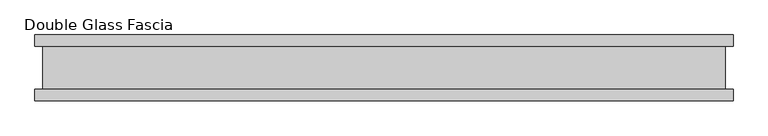
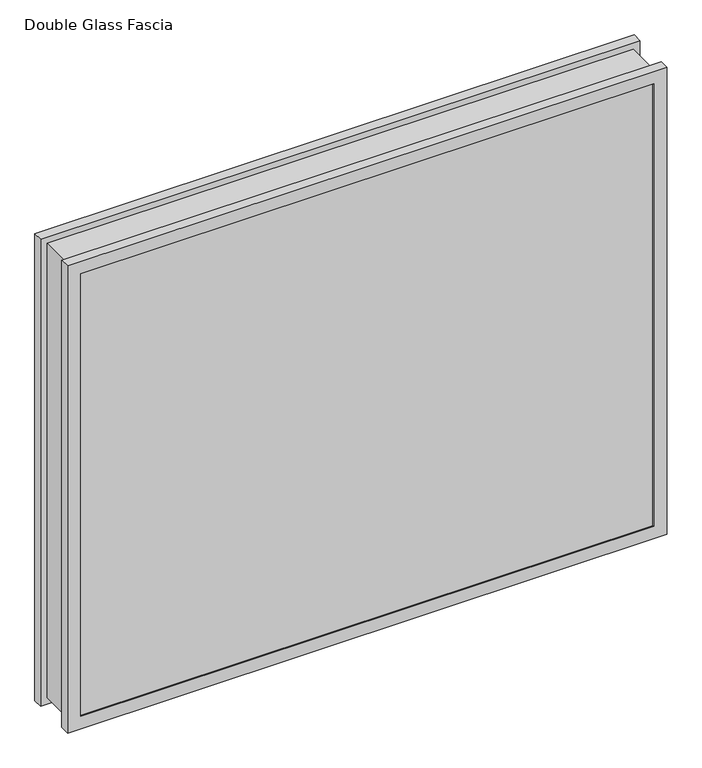
"""IFC4 building model written with IfcOpenShell, lengths in millimetres: proxy geometry, Double Glass Fascia."""

import ifcopenshell
import ifcopenshell.guid

model = None  # the IFC model being written
_history = None  # IfcOwnerHistory: only IFC2X3 demands one
_inside = {}  # id of a spatial element -> (the spatial element, [elements in it])
_under = {}  # id of a project, library or spatial element -> (it, [spatial elements below it])
_declared = {}  # id of a project -> (the project, [libraries it declares])
_typed = {}  # id of a type object -> (the type object, [elements of that type])
_made_of = {}  # id of a material, layer set ... -> (it, [elements and type objects made of it])


def new_model(schema):
    """Start an empty IFC model of exactly this schema.

    Asked for "IFC4X3", IfcOpenShell would pick the latest addendum, in which some entities
    have other attributes; the version numbers below select the first issue.
    IFC2X3 requires an IfcOwnerHistory on every rooted entity: one is made here for all.
    """
    global model, _history
    if schema == "IFC4X3":
        model = ifcopenshell.file(schema_version=(4, 3, 0, 0))
    else:
        model = ifcopenshell.file(schema=schema)
    _inside.clear()
    _under.clear()
    _declared.clear()
    _typed.clear()
    _made_of.clear()
    _history = None
    if model.schema == "IFC2X3":
        org = make("IfcOrganization", Name="unknown")
        user = make(
            "IfcPersonAndOrganization",
            ThePerson=make("IfcPerson", FamilyName="unknown"),
            TheOrganization=org,
        )
        app = make(
            "IfcApplication",
            ApplicationDeveloper=org,
            Version="unknown",
            ApplicationFullName="unknown",
            ApplicationIdentifier="unknown",
        )
        _history = make(
            "IfcOwnerHistory",
            OwningUser=user,
            OwningApplication=app,
            ChangeAction="ADDED",
            CreationDate=0,
        )
    return model


def make(cls, **values):
    """One entity of the class cls with the attributes given. An attribute that is None is left unset."""
    return model.create_entity(
        cls, **{name: value for name, value in values.items() if value is not None}
    )


def rooted(cls, **values):
    """An entity with a GlobalId (a new one), such as an element, a storey or a relation."""
    return make(cls, GlobalId=ifcopenshell.guid.new(), OwnerHistory=_history, **values)


def si_unit(unit_type, name, prefix=None):
    """IfcSIUnit, for example si_unit("LENGTHUNIT", "METRE", prefix="MILLI")."""
    return make("IfcSIUnit", UnitType=unit_type, Prefix=prefix, Name=name)


def assignment(units):
    """IfcUnitAssignment: the units of a project."""
    return None if units is None else make("IfcUnitAssignment", Units=units)


def point(xyz):
    """IfcCartesianPoint."""
    return None if xyz is None else make("IfcCartesianPoint", Coordinates=xyz)


def direction(xyz):
    """IfcDirection."""
    return None if xyz is None else make("IfcDirection", DirectionRatios=xyz)


def frame(location, z_axis=None, x_axis=None):
    """IfcAxis2Placement3D, a coordinate frame: its origin and axes. An axis left out is left unset."""
    return make(
        "IfcAxis2Placement3D",
        Location=point(location),
        Axis=direction(z_axis),
        RefDirection=direction(x_axis),
    )


def origin():
    """The frame at (0, 0, 0) with its axes left unset."""
    return frame((0.0, 0.0, 0.0))


def place(relative_to, where):
    """IfcLocalPlacement: puts the frame where relative to a parent placement (None: the world)."""
    return make(
        "IfcLocalPlacement", PlacementRelTo=relative_to, RelativePlacement=where
    )


def context(
    kind, dimensions, precision=None, world=None, true_north=None, identifier=None
):
    """IfcGeometricRepresentationContext, for example the 3D "Model" context."""
    return make(
        "IfcGeometricRepresentationContext",
        ContextIdentifier=identifier,
        ContextType=kind,
        CoordinateSpaceDimension=dimensions,
        Precision=precision,
        WorldCoordinateSystem=world,
        TrueNorth=true_north,
    )


def project(units=None, contexts=None):
    """IfcProject with its units and contexts."""
    return rooted(
        "IfcProject",
        Name="project",
        RepresentationContexts=contexts,
        UnitsInContext=assignment(units),
    )


def spatial(cls, under=None, at=None, **own):
    """A site, building, storey or space (cls), placed at a placement, below another one or the project."""
    s = rooted(cls, ObjectPlacement=at, **own)
    if under is not None:
        _under.setdefault(under.id(), (under, []))[1].append(s)
    return s


def polyline(points):
    """IfcPolyline through the points."""
    return make("IfcPolyline", Points=[point(p) for p in points])


def outline(outer, holes=None, kind="AREA"):
    """IfcArbitraryClosedProfileDef: a profile drawn as a closed curve; with holes, ...WithVoids."""
    if holes is None:
        return make("IfcArbitraryClosedProfileDef", ProfileType=kind, OuterCurve=outer)
    return make(
        "IfcArbitraryProfileDefWithVoids",
        ProfileType=kind,
        OuterCurve=outer,
        InnerCurves=holes,
    )


def extrude(swept, where, along, depth):
    """IfcExtrudedAreaSolid: the profile swept, set in the frame where, extruded along a direction by depth."""
    return make(
        "IfcExtrudedAreaSolid",
        SweptArea=swept,
        Position=where,
        ExtrudedDirection=direction(along),
        Depth=depth,
    )


def faces_of(points, faces, orient=None, outer=None):
    """IfcFace entities. A face is a list of loops; a loop is a list of indices into points, from 0.

    orient and outer hold one flag for each loop. By default every Orientation is true, the
    first loop of a face is its IfcFaceOuterBound and the others are IfcFaceBound.
    """
    made = []
    for i, loops in enumerate(faces):
        bounds = []
        for j, loop in enumerate(loops):
            is_outer = j == 0 if outer is None else outer[i][j]
            bounds.append(
                make(
                    "IfcFaceOuterBound" if is_outer else "IfcFaceBound",
                    Bound=make("IfcPolyLoop", Polygon=[points[k] for k in loop]),
                    Orientation=True if orient is None else orient[i][j],
                )
            )
        made.append(make("IfcFace", Bounds=bounds))
    return made


def faceted_brep(points, faces, orient=None, outer=None, voids=None):
    """IfcFacetedBrep: a solid bounded by flat faces; with voids (closed shells), ...WithVoids."""
    shared = [point(p) for p in points]
    hull = make("IfcClosedShell", CfsFaces=faces_of(shared, faces, orient, outer))
    if voids is None:
        return make("IfcFacetedBrep", Outer=hull)
    return make(
        "IfcFacetedBrepWithVoids",
        Outer=hull,
        Voids=[
            make(cls, CfsFaces=faces_of(shared, fs, o, b)) for cls, fs, o, b in voids
        ],
    )


def shape(context_of_items, identifier, shape_type, items):
    """IfcShapeRepresentation: the items that make up one representation, for example the "Body"."""
    return make(
        "IfcShapeRepresentation",
        ContextOfItems=context_of_items,
        RepresentationIdentifier=identifier,
        RepresentationType=shape_type,
        Items=items,
    )


def source(mapping_origin, context_of_items, identifier, shape_type, items):
    """IfcRepresentationMap: a shape defined once, which mapped items show again and again."""
    return make(
        "IfcRepresentationMap",
        MappingOrigin=mapping_origin,
        MappedRepresentation=shape(context_of_items, identifier, shape_type, items),
    )


def transform(
    local_origin,
    x_axis=None,
    y_axis=None,
    z_axis=None,
    scale=None,
    scale2=None,
    scale3=None,
    uniform=True,
):
    """IfcCartesianTransformationOperator3D, or its non-uniform kind. x_axis, y_axis, z_axis: its Axis1, 2, 3."""
    if uniform:
        return make(
            "IfcCartesianTransformationOperator3D",
            Axis1=direction(x_axis),
            Axis2=direction(y_axis),
            LocalOrigin=point(local_origin),
            Scale=scale,
            Axis3=direction(z_axis),
        )
    return make(
        "IfcCartesianTransformationOperator3DnonUniform",
        Axis1=direction(x_axis),
        Axis2=direction(y_axis),
        LocalOrigin=point(local_origin),
        Scale=scale,
        Axis3=direction(z_axis),
        Scale2=scale2,
        Scale3=scale3,
    )


def mapped(mapping_source, mapping_target):
    """IfcMappedItem: shows the shape of a source again, moved by a transform."""
    return make(
        "IfcMappedItem", MappingSource=mapping_source, MappingTarget=mapping_target
    )


def made_of(thing, what):
    """Note that an element or type object is made of a material, layer set ...; save() writes the relation."""
    if what is not None:
        _made_of.setdefault(what.id(), (what, []))[1].append(thing)
    return thing


def element(
    cls,
    number,
    at=None,
    inside=None,
    cuts=None,
    type_object=None,
    material=None,
    context=None,
    identifier="Body",
    shape_type=None,
    held_by="IfcProductDefinitionShape",
    body=None,
    shapes=None,
    **own,
):
    """One element of the class cls, such as IfcWall. Its Tag is "e" and its number.

    at: its placement. inside: the storey or other place that contains it. cuts: it is an
    opening in that element (IfcRelVoidsElement). A single representation is given by context,
    identifier, shape_type and body (its items); several are given by shapes. held_by: the class
    of the entity that holds the representations. save() writes the other relations.
    """
    e = rooted(cls, Tag="e%d" % number, ObjectPlacement=at, **own)
    if body is not None:
        shapes = [shape(context, identifier, shape_type, body)]
    if shapes is not None:
        e.Representation = make(held_by, Representations=shapes)
    if inside is not None:
        _inside.setdefault(inside.id(), (inside, []))[1].append(e)
    if cuts is not None:
        rooted(
            "IfcRelVoidsElement", RelatingBuildingElement=cuts, RelatedOpeningElement=e
        )
    if type_object is not None:
        _typed.setdefault(type_object.id(), (type_object, []))[1].append(e)
    return made_of(e, material)


def aggregate(whole, parts):
    """IfcRelAggregates: a whole, such as a stair, and the parts it consists of."""
    return rooted("IfcRelAggregates", RelatingObject=whole, RelatedObjects=parts)


def save(model, path):
    """Write the relations noted so far, then the file.

    IfcRelAggregates (storeys below a building ...), IfcRelContainedInSpatialStructure (elements
    in a storey), IfcRelDefinesByType, IfcRelAssociatesMaterial and IfcRelDeclares: one each for
    every whole, place, type object, material and project.
    """
    for whole, parts in _under.values():
        aggregate(whole, parts)
    for where, things in _inside.values():
        rooted(
            "IfcRelContainedInSpatialStructure",
            RelatedElements=things,
            RelatingStructure=where,
        )
    for kind, things in _typed.values():
        rooted("IfcRelDefinesByType", RelatedObjects=things, RelatingType=kind)
    for what, things in _made_of.values():
        rooted("IfcRelAssociatesMaterial", RelatedObjects=things, RelatingMaterial=what)
    for by, libraries in _declared.values():
        rooted("IfcRelDeclares", RelatingContext=by, RelatedDefinitions=libraries)
    model.write(path)


def double_glass_fascia_db91f134(model_context):
    return source(origin(), model_context, "Body", "SolidModel", [
        faceted_brep([(519.6640848, -32.4352299, 866.775885), (519.6640848, -32.4352299, 15.0359151), (519.6640848, 32.4352299, 15.0359151), (519.6640848, 32.4352299, 866.775885), (-519.6640848, -32.4352299, 15.0359151), (-519.6640848, 32.4352299, 15.0359151), (-519.6640848, -32.4352299, 866.775885), (-519.6640848, 32.4352299, 866.775885), (508.4871999, 38.8962152, 855.5990001), (508.4871999, 38.8962152, 26.2128), (508.4871999, -38.8962152, 26.2128), (508.4871999, -38.8962152, 855.5990001), (525.2218392, 47.1322551, 872.3336393), (525.2218392, 47.1322551, 9.4781608), (525.2218392, 38.8962152, 9.4781608), (525.2218392, 38.8962152, 872.3336393), (508.3093999, 50.0558594, 855.4212001), (508.3093999, 50.0558594, 26.3906), (508.3093999, 47.1322551, 26.3906), (508.3093999, 47.1322551, 855.4212001), (531.5249999, 32.4352299, 878.6368001), (531.5249999, 32.4352299, 3.175), (531.5249999, 50.0558594, 3.175), (531.5249999, 50.0558594, 878.6368001), (-508.4871999, 38.8962152, 26.2128), (-508.4871999, -38.8962152, 26.2128), (-525.2218392, 47.1322551, 9.4781608), (-525.2218392, 38.8962152, 9.4781608), (-508.3093999, 50.0558594, 26.3906), (-508.3093999, 47.1322551, 26.3906), (-531.5249999, 32.4352299, 3.175), (-531.5249999, 50.0558594, 3.175), (-508.4871999, 38.8962152, 855.5990001), (-508.4871999, -38.8962152, 855.5990001), (-525.2218392, 47.1322551, 872.3336393), (-525.2218392, 38.8962152, 872.3336393), (-508.3093999, 50.0558594, 855.4212001), (-508.3093999, 47.1322551, 855.4212001), (-531.5249999, 32.4352299, 878.6368001), (-531.5249999, 50.0558594, 878.6368001), (531.5249999, -50.0558594, 878.6368001), (531.5249999, -50.0558594, 3.175), (531.5249999, -32.4352299, 3.175), (531.5249999, -32.4352299, 878.6368001), (508.4871999, -47.1322551, 855.5990001), (508.4871999, -47.1322551, 26.2128), (508.4871999, -50.0558594, 26.2128), (508.4871999, -50.0558594, 855.5990001), (525.2218392, -38.8962152, 872.3336393), (525.2218392, -38.8962152, 9.4781608), (525.2218392, -47.1322551, 9.4781608), (525.2218392, -47.1322551, 872.3336393), (-531.5249999, -50.0558594, 3.175), (-531.5249999, -32.4352299, 3.175), (-508.4871999, -47.1322551, 26.2128), (-508.4871999, -50.0558594, 26.2128), (-525.2218392, -38.8962152, 9.4781608), (-525.2218392, -47.1322551, 9.4781608), (-531.5249999, -50.0558594, 878.6368001), (-531.5249999, -32.4352299, 878.6368001), (-508.4871999, -47.1322551, 855.5990001), (-508.4871999, -50.0558594, 855.5990001), (-525.2218392, -38.8962152, 872.3336393), (-525.2218392, -47.1322551, 872.3336393)], [[[0, 1, 2, 3]], [[1, 4, 5, 2]], [[4, 6, 7, 5]], [[6, 0, 3, 7]], [[8, 9, 10, 11]], [[12, 13, 14, 15]], [[16, 17, 18, 19]], [[20, 21, 22, 23]], [[9, 24, 25, 10]], [[13, 26, 27, 14]], [[17, 28, 29, 18]], [[21, 30, 31, 22]], [[24, 32, 33, 25]], [[26, 34, 35, 27]], [[28, 36, 37, 29]], [[30, 38, 39, 31]], [[32, 8, 11, 33]], [[15, 14, 27, 35], [9, 8, 32, 24]], [[34, 12, 15, 35]], [[13, 12, 34, 26], [19, 18, 29, 37]], [[36, 16, 19, 37]], [[23, 22, 31, 39], [17, 16, 36, 28]], [[38, 20, 23, 39]], [[21, 20, 38, 30], [3, 2, 5, 7]], [[40, 41, 42, 43]], [[44, 45, 46, 47]], [[48, 49, 50, 51]], [[41, 52, 53, 42]], [[45, 54, 55, 46]], [[49, 56, 57, 50]], [[52, 58, 59, 53]], [[54, 60, 61, 55]], [[56, 62, 63, 57]], [[43, 42, 53, 59], [1, 0, 6, 4]], [[58, 40, 43, 59]], [[41, 40, 58, 52], [47, 46, 55, 61]], [[60, 44, 47, 61]], [[51, 50, 57, 63], [45, 44, 60, 54]], [[62, 48, 51, 63]], [[49, 48, 62, 56], [11, 10, 25, 33]]]),
        extrude(outline(polyline([(520.7, 40.9277344), (-520.7, 40.9277344), (-520.7, 46.8808594), (520.7, 46.8808594), (520.7, 40.9277344)])), frame((0.0, 0.0, 5.3275263), z_axis=(0.0, 0.0, 1.0), x_axis=(1.0, 0.0, 0.0)), (0.0, 0.0, 1.0), 870.6627281),
        extrude(outline(polyline([(520.7, -41.1791301), (520.7, -47.1322551), (-520.7, -47.1322551), (-520.7, -41.1791301), (520.7, -41.1791301)])), frame((0.0, 0.0, 5.3275263), z_axis=(0.0, 0.0, 1.0), x_axis=(1.0, 0.0, 0.0)), (0.0, 0.0, 1.0), 870.6627281),
    ])


if __name__ == "__main__":
    model = new_model("IFC4")
    model_context = context("Model", 3, world=origin())
    ifc_project = project(units=[si_unit("LENGTHUNIT", "METRE", prefix="MILLI")], contexts=[model_context])
    site = spatial("IfcSite", under=ifc_project)
    building = spatial("IfcBuilding", under=site)
    placement = place(None, origin())
    double_glass_fascia_shape = double_glass_fascia_db91f134(model_context)
    element("IfcBuildingElementProxy", 1, Name="Double Glass Fascia", ObjectType="Double Glass Fascia", at=placement, inside=building, context=model_context, shape_type="MappedRepresentation", body=[
        mapped(double_glass_fascia_shape, transform((0.0, 0.0, 0.0), x_axis=(1.0, 0.0, 0.0), y_axis=(0.0, 1.0, 0.0), z_axis=(0.0, 0.0, 1.0))),
    ])
    save(model, "model.ifc")
